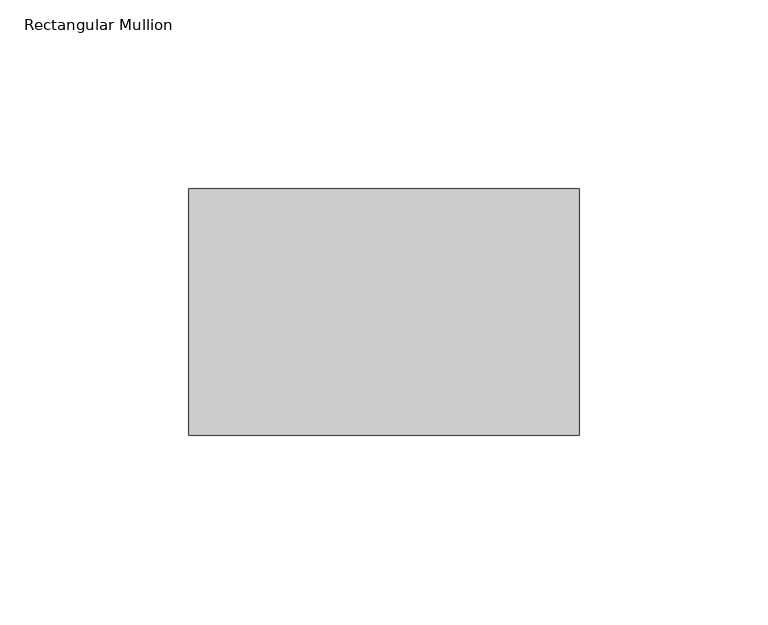
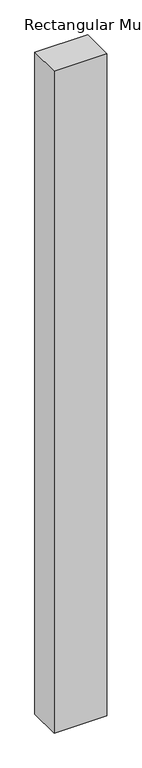
"""IFC4 building model written with IfcOpenShell, lengths in millimetres: member geometry, Rectangular Mullion."""

from ifc_helpers import new_model, si_unit, frame, origin, place, context, project, spatial, polyline, outline, extrude, source, transform, mapped, element, save


def rectangular_mullion_e317ac56(model_context):
    return source(origin(), model_context, "Body", "SweptSolid", [
        extrude(outline(polyline([(0.0, -39.6875), (-103.1875, -39.6875), (-103.1875, 25.4), (0.0, 25.4), (0.0, -39.6875)])), frame((0.0, 0.0, -1369.21875), z_axis=(0.0, 0.0, 1.0), x_axis=(1.0, 0.0, 0.0)), (0.0, 0.0, 1.0), 1369.21875),
    ])


if __name__ == "__main__":
    model = new_model("IFC4")
    model_context = context("Model", 3, world=origin())
    ifc_project = project(units=[si_unit("LENGTHUNIT", "METRE", prefix="MILLI")], contexts=[model_context])
    site = spatial("IfcSite", under=ifc_project)
    building = spatial("IfcBuilding", under=site)
    placement = place(None, origin())
    rectangular_mullion_shape = rectangular_mullion_e317ac56(model_context)
    element("IfcMember", 1, ObjectType="Rectangular Mullion", at=placement, inside=building, context=model_context, shape_type="MappedRepresentation", body=[
        mapped(rectangular_mullion_shape, transform((0.0, 0.0, 0.0), x_axis=(1.0, 0.0, 0.0), y_axis=(0.0, 1.0, 0.0), z_axis=(0.0, 0.0, 1.0))),
    ])
    save(model, "model.ifc")
